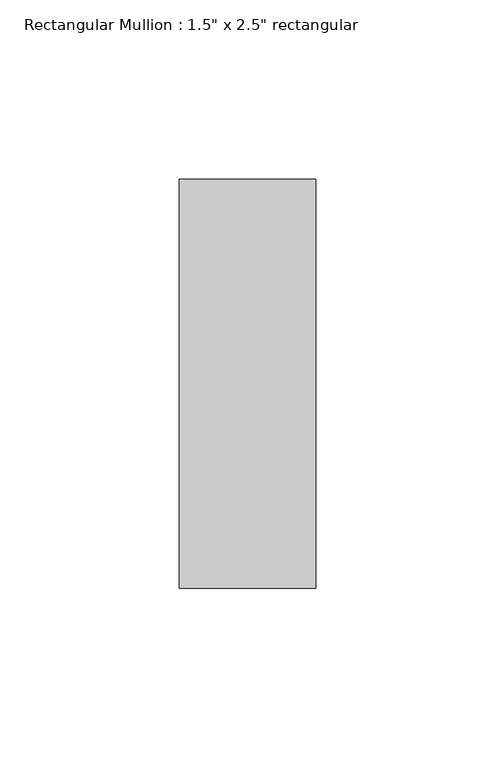
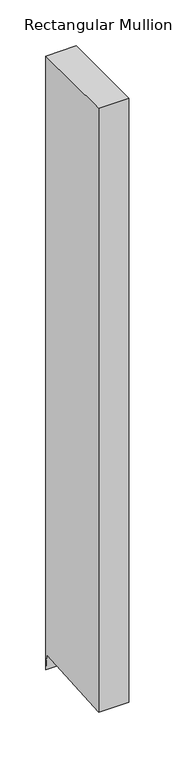
"""IFC4 building model written with IfcOpenShell, lengths in millimetres: member geometry."""

import ifcopenshell
import ifcopenshell.guid

model = None  # the IFC model being written
_history = None  # IfcOwnerHistory: only IFC2X3 demands one
_inside = {}  # id of a spatial element -> (the spatial element, [elements in it])
_under = {}  # id of a project, library or spatial element -> (it, [spatial elements below it])
_declared = {}  # id of a project -> (the project, [libraries it declares])
_typed = {}  # id of a type object -> (the type object, [elements of that type])
_made_of = {}  # id of a material, layer set ... -> (it, [elements and type objects made of it])


def new_model(schema):
    """Start an empty IFC model of exactly this schema.

    Asked for "IFC4X3", IfcOpenShell would pick the latest addendum, in which some entities
    have other attributes; the version numbers below select the first issue.
    IFC2X3 requires an IfcOwnerHistory on every rooted entity: one is made here for all.
    """
    global model, _history
    if schema == "IFC4X3":
        model = ifcopenshell.file(schema_version=(4, 3, 0, 0))
    else:
        model = ifcopenshell.file(schema=schema)
    _inside.clear()
    _under.clear()
    _declared.clear()
    _typed.clear()
    _made_of.clear()
    _history = None
    if model.schema == "IFC2X3":
        org = make("IfcOrganization", Name="unknown")
        user = make(
            "IfcPersonAndOrganization",
            ThePerson=make("IfcPerson", FamilyName="unknown"),
            TheOrganization=org,
        )
        app = make(
            "IfcApplication",
            ApplicationDeveloper=org,
            Version="unknown",
            ApplicationFullName="unknown",
            ApplicationIdentifier="unknown",
        )
        _history = make(
            "IfcOwnerHistory",
            OwningUser=user,
            OwningApplication=app,
            ChangeAction="ADDED",
            CreationDate=0,
        )
    return model


def make(cls, **values):
    """One entity of the class cls with the attributes given. An attribute that is None is left unset."""
    return model.create_entity(
        cls, **{name: value for name, value in values.items() if value is not None}
    )


def rooted(cls, **values):
    """An entity with a GlobalId (a new one), such as an element, a storey or a relation."""
    return make(cls, GlobalId=ifcopenshell.guid.new(), OwnerHistory=_history, **values)


def si_unit(unit_type, name, prefix=None):
    """IfcSIUnit, for example si_unit("LENGTHUNIT", "METRE", prefix="MILLI")."""
    return make("IfcSIUnit", UnitType=unit_type, Prefix=prefix, Name=name)


def assignment(units):
    """IfcUnitAssignment: the units of a project."""
    return None if units is None else make("IfcUnitAssignment", Units=units)


def point(xyz):
    """IfcCartesianPoint."""
    return None if xyz is None else make("IfcCartesianPoint", Coordinates=xyz)


def direction(xyz):
    """IfcDirection."""
    return None if xyz is None else make("IfcDirection", DirectionRatios=xyz)


def frame(location, z_axis=None, x_axis=None):
    """IfcAxis2Placement3D, a coordinate frame: its origin and axes. An axis left out is left unset."""
    return make(
        "IfcAxis2Placement3D",
        Location=point(location),
        Axis=direction(z_axis),
        RefDirection=direction(x_axis),
    )


def origin():
    """The frame at (0, 0, 0) with its axes left unset."""
    return frame((0.0, 0.0, 0.0))


def place(relative_to, where):
    """IfcLocalPlacement: puts the frame where relative to a parent placement (None: the world)."""
    return make(
        "IfcLocalPlacement", PlacementRelTo=relative_to, RelativePlacement=where
    )


def context(
    kind, dimensions, precision=None, world=None, true_north=None, identifier=None
):
    """IfcGeometricRepresentationContext, for example the 3D "Model" context."""
    return make(
        "IfcGeometricRepresentationContext",
        ContextIdentifier=identifier,
        ContextType=kind,
        CoordinateSpaceDimension=dimensions,
        Precision=precision,
        WorldCoordinateSystem=world,
        TrueNorth=true_north,
    )


def project(units=None, contexts=None):
    """IfcProject with its units and contexts."""
    return rooted(
        "IfcProject",
        Name="project",
        RepresentationContexts=contexts,
        UnitsInContext=assignment(units),
    )


def spatial(cls, under=None, at=None, **own):
    """A site, building, storey or space (cls), placed at a placement, below another one or the project."""
    s = rooted(cls, ObjectPlacement=at, **own)
    if under is not None:
        _under.setdefault(under.id(), (under, []))[1].append(s)
    return s


def polyline(points):
    """IfcPolyline through the points."""
    return make("IfcPolyline", Points=[point(p) for p in points])


def outline(outer, holes=None, kind="AREA"):
    """IfcArbitraryClosedProfileDef: a profile drawn as a closed curve; with holes, ...WithVoids."""
    if holes is None:
        return make("IfcArbitraryClosedProfileDef", ProfileType=kind, OuterCurve=outer)
    return make(
        "IfcArbitraryProfileDefWithVoids",
        ProfileType=kind,
        OuterCurve=outer,
        InnerCurves=holes,
    )


def extrude(swept, where, along, depth):
    """IfcExtrudedAreaSolid: the profile swept, set in the frame where, extruded along a direction by depth."""
    return make(
        "IfcExtrudedAreaSolid",
        SweptArea=swept,
        Position=where,
        ExtrudedDirection=direction(along),
        Depth=depth,
    )


def shape(context_of_items, identifier, shape_type, items):
    """IfcShapeRepresentation: the items that make up one representation, for example the "Body"."""
    return make(
        "IfcShapeRepresentation",
        ContextOfItems=context_of_items,
        RepresentationIdentifier=identifier,
        RepresentationType=shape_type,
        Items=items,
    )


def source(mapping_origin, context_of_items, identifier, shape_type, items):
    """IfcRepresentationMap: a shape defined once, which mapped items show again and again."""
    return make(
        "IfcRepresentationMap",
        MappingOrigin=mapping_origin,
        MappedRepresentation=shape(context_of_items, identifier, shape_type, items),
    )


def transform(
    local_origin,
    x_axis=None,
    y_axis=None,
    z_axis=None,
    scale=None,
    scale2=None,
    scale3=None,
    uniform=True,
):
    """IfcCartesianTransformationOperator3D, or its non-uniform kind. x_axis, y_axis, z_axis: its Axis1, 2, 3."""
    if uniform:
        return make(
            "IfcCartesianTransformationOperator3D",
            Axis1=direction(x_axis),
            Axis2=direction(y_axis),
            LocalOrigin=point(local_origin),
            Scale=scale,
            Axis3=direction(z_axis),
        )
    return make(
        "IfcCartesianTransformationOperator3DnonUniform",
        Axis1=direction(x_axis),
        Axis2=direction(y_axis),
        LocalOrigin=point(local_origin),
        Scale=scale,
        Axis3=direction(z_axis),
        Scale2=scale2,
        Scale3=scale3,
    )


def mapped(mapping_source, mapping_target):
    """IfcMappedItem: shows the shape of a source again, moved by a transform."""
    return make(
        "IfcMappedItem", MappingSource=mapping_source, MappingTarget=mapping_target
    )


def made_of(thing, what):
    """Note that an element or type object is made of a material, layer set ...; save() writes the relation."""
    if what is not None:
        _made_of.setdefault(what.id(), (what, []))[1].append(thing)
    return thing


def element(
    cls,
    number,
    at=None,
    inside=None,
    cuts=None,
    type_object=None,
    material=None,
    context=None,
    identifier="Body",
    shape_type=None,
    held_by="IfcProductDefinitionShape",
    body=None,
    shapes=None,
    **own,
):
    """One element of the class cls, such as IfcWall. Its Tag is "e" and its number.

    at: its placement. inside: the storey or other place that contains it. cuts: it is an
    opening in that element (IfcRelVoidsElement). A single representation is given by context,
    identifier, shape_type and body (its items); several are given by shapes. held_by: the class
    of the entity that holds the representations. save() writes the other relations.
    """
    e = rooted(cls, Tag="e%d" % number, ObjectPlacement=at, **own)
    if body is not None:
        shapes = [shape(context, identifier, shape_type, body)]
    if shapes is not None:
        e.Representation = make(held_by, Representations=shapes)
    if inside is not None:
        _inside.setdefault(inside.id(), (inside, []))[1].append(e)
    if cuts is not None:
        rooted(
            "IfcRelVoidsElement", RelatingBuildingElement=cuts, RelatedOpeningElement=e
        )
    if type_object is not None:
        _typed.setdefault(type_object.id(), (type_object, []))[1].append(e)
    return made_of(e, material)


def aggregate(whole, parts):
    """IfcRelAggregates: a whole, such as a stair, and the parts it consists of."""
    return rooted("IfcRelAggregates", RelatingObject=whole, RelatedObjects=parts)


def save(model, path):
    """Write the relations noted so far, then the file.

    IfcRelAggregates (storeys below a building ...), IfcRelContainedInSpatialStructure (elements
    in a storey), IfcRelDefinesByType, IfcRelAssociatesMaterial and IfcRelDeclares: one each for
    every whole, place, type object, material and project.
    """
    for whole, parts in _under.values():
        aggregate(whole, parts)
    for where, things in _inside.values():
        rooted(
            "IfcRelContainedInSpatialStructure",
            RelatedElements=things,
            RelatingStructure=where,
        )
    for kind, things in _typed.values():
        rooted("IfcRelDefinesByType", RelatedObjects=things, RelatingType=kind)
    for what, things in _made_of.values():
        rooted("IfcRelAssociatesMaterial", RelatedObjects=things, RelatingMaterial=what)
    for by, libraries in _declared.values():
        rooted("IfcRelDeclares", RelatingContext=by, RelatedDefinitions=libraries)
    model.write(path)


def member_d942be56(model_context):
    return source(origin(), model_context, "Body", "SweptSolid", [
        extrude(outline(polyline([(-57.15, 0.0), (57.15, 0.0), (57.15, -815.1300821), (55.6453769, -794.0927024), (-57.15, -802.159987), (-57.15, 0.0)])), frame((-38.1, 0.0, 0.0), z_axis=(1.0, 0.0, 0.0), x_axis=(0.0, 1.0, 0.0)), (0.0, 0.0, 1.0), 38.1),
    ])


if __name__ == "__main__":
    model = new_model("IFC4")
    model_context = context("Model", 3, world=origin())
    ifc_project = project(units=[si_unit("LENGTHUNIT", "METRE", prefix="MILLI")], contexts=[model_context])
    site = spatial("IfcSite", under=ifc_project)
    building = spatial("IfcBuilding", under=site)
    placement = place(None, origin())
    member_shape = member_d942be56(model_context)
    element("IfcMember", 1, ObjectType="Rectangular Mullion : 1.5\" x 2.5\" rectangular", at=placement, inside=building, context=model_context, shape_type="MappedRepresentation", body=[
        mapped(member_shape, transform((0.0, 0.0, 0.0), x_axis=(1.0, 0.0, 0.0), y_axis=(0.0, 1.0, 0.0), z_axis=(0.0, 0.0, 1.0))),
    ])
    save(model, "model.ifc")
